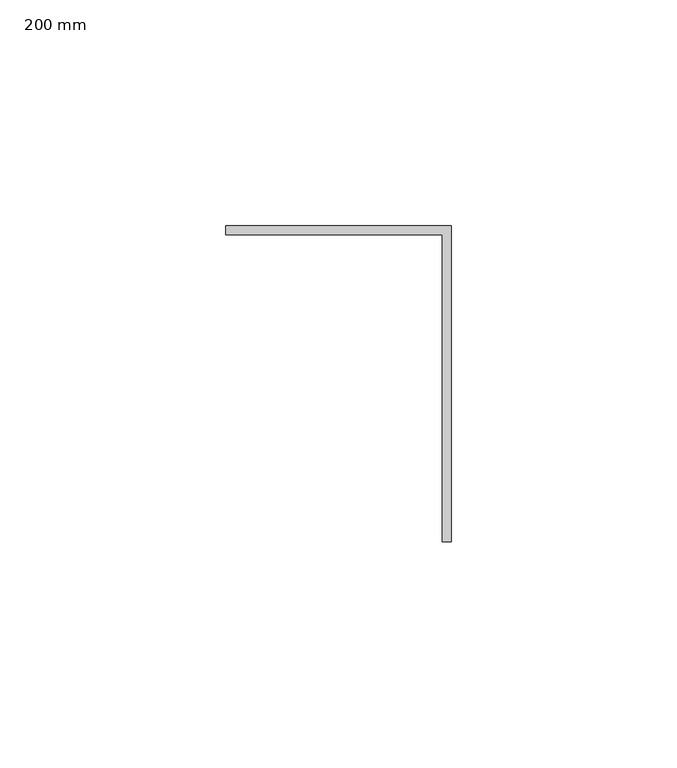
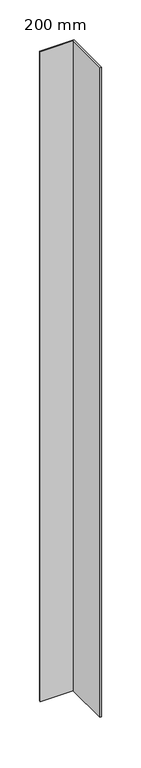
"""IFC4 building model written with IfcOpenShell, lengths in millimetres: proxy geometry, 200 mm."""

from ifc_helpers import new_model, si_unit, origin, origin_with_axes, place, context, project, spatial, polyline, outline, extrude, source, transform, mapped, element, save


def proxy_200_mm_91b887d4(model_context):
    return source(origin(), model_context, "Body", "SweptSolid", [
        extrude(outline(polyline([(-50.0, 192.0), (0.0, 192.0), (0.0, 122.0), (-2.0, 122.0), (-2.0, 190.0), (-50.0, 190.0), (-50.0, 192.0)])), origin_with_axes(), (0.0, 0.0, 1.0), 1000.0),
    ])


if __name__ == "__main__":
    model = new_model("IFC4")
    model_context = context("Model", 3, world=origin())
    ifc_project = project(units=[si_unit("LENGTHUNIT", "METRE", prefix="MILLI")], contexts=[model_context])
    site = spatial("IfcSite", under=ifc_project)
    building = spatial("IfcBuilding", under=site)
    placement = place(None, origin())
    proxy_200_mm_shape = proxy_200_mm_91b887d4(model_context)
    element("IfcBuildingElementProxy", 1, Name="200 mm", ObjectType="200 mm", at=placement, inside=building, context=model_context, shape_type="MappedRepresentation", body=[
        mapped(proxy_200_mm_shape, transform((0.0, 0.0, 0.0), x_axis=(1.0, 0.0, 0.0), y_axis=(0.0, 1.0, 0.0), z_axis=(0.0, 0.0, 1.0))),
    ])
    save(model, "model.ifc")
